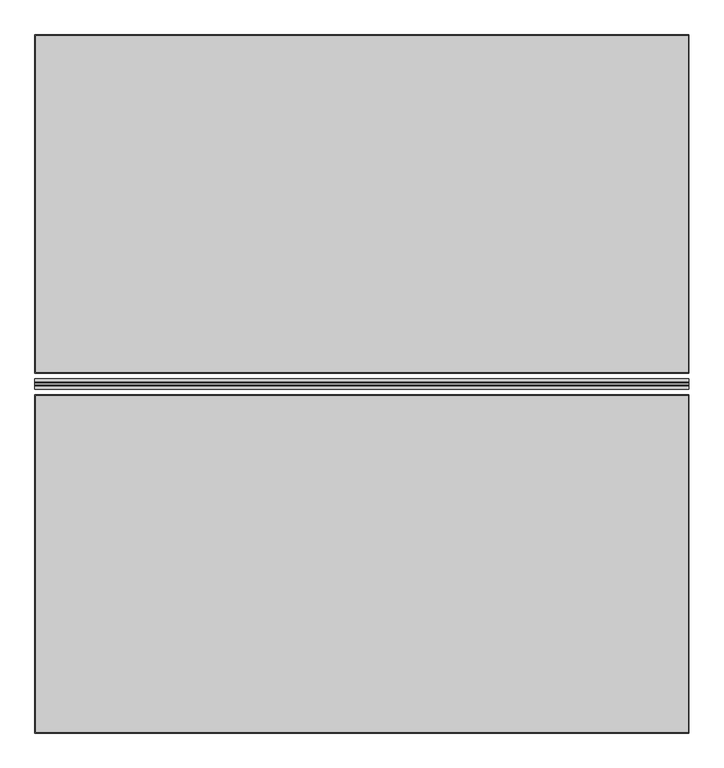
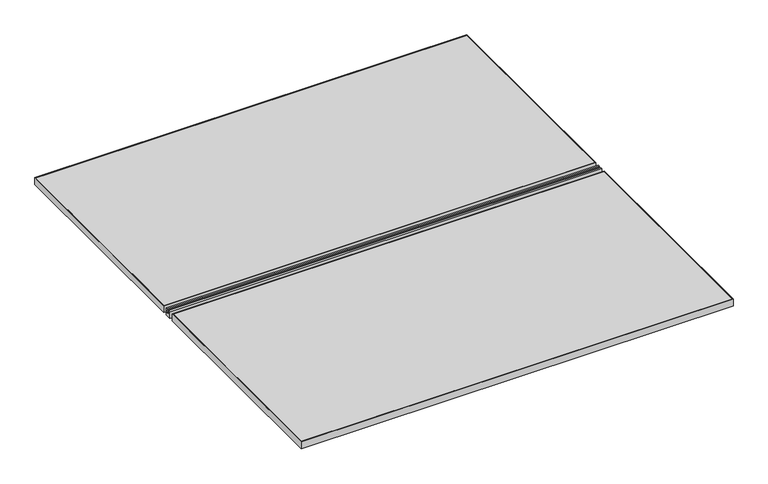
"""IFC4 building model written with IfcOpenShell, lengths in millimetres: furniture geometry."""

from ifc_helpers import new_model, si_unit, frame, origin, place, context, project, spatial, polyline, outline, extrude, source, transform, mapped, element, save


def furniture_cecfb42d(model_context):
    return source(origin(), model_context, "Body", "SweptSolid", [
        extrude(outline(polyline([(4.8990233, 720.0), (11.4990233, 720.0), (11.4990233, 695.0), (-11.4990233, 695.0), (-11.4990233, 720.0), (-4.8990233, 720.0), (-4.8990233, 716.1900055), (-8.6010744, 716.1900055), (-8.6010744, 712.379991), (-3.3007813, 709.8292746), (-3.3007813, 707.2000019), (3.3007813, 707.2000019), (3.3007813, 709.8292746), (8.6010744, 712.379991), (8.6010744, 716.1900055), (4.8990233, 716.1900055), (4.8990233, 720.0)])), frame((0.0, 0.0, 0.0), z_axis=(1.0, 0.0, 0.0), x_axis=(0.0, 1.0, 0.0)), (0.0, 0.0, 1.0), 1500.0),
        extrude(outline(polyline([(1500.0, 800.0), (1500.0, 25.0), (0.0, 25.0), (0.0, 800.0), (1500.0, 800.0)]), holes=[polyline([(1498.0, 798.0), (2.0, 798.0), (2.0, 27.0), (1498.0, 27.0), (1498.0, 798.0)])]), frame((0.0, 0.0, 695.0), z_axis=(0.0, 0.0, 1.0), x_axis=(1.0, 0.0, 0.0)), (0.0, 0.0, 1.0), 25.0),
        extrude(outline(polyline([(1498.0, 798.0), (1498.0, 27.0), (2.0, 27.0), (2.0, 798.0), (1498.0, 798.0)])), frame((0.0, 0.0, 695.0), z_axis=(0.0, 0.0, 1.0), x_axis=(1.0, 0.0, 0.0)), (0.0, 0.0, 1.0), 25.0),
        extrude(outline(polyline([(1500.0, -25.0), (1500.0, -800.0), (0.0, -800.0), (0.0, -25.0), (1500.0, -25.0)]), holes=[polyline([(1498.0, -27.0), (2.0, -27.0), (2.0, -798.0), (1498.0, -798.0), (1498.0, -27.0)])]), frame((0.0, 0.0, 695.0), z_axis=(0.0, 0.0, 1.0), x_axis=(1.0, 0.0, 0.0)), (0.0, 0.0, 1.0), 25.0),
        extrude(outline(polyline([(1498.0, -27.0), (1498.0, -798.0), (2.0, -798.0), (2.0, -27.0), (1498.0, -27.0)])), frame((0.0, 0.0, 695.0), z_axis=(0.0, 0.0, 1.0), x_axis=(1.0, 0.0, 0.0)), (0.0, 0.0, 1.0), 25.0),
    ])


if __name__ == "__main__":
    model = new_model("IFC4")
    model_context = context("Model", 3, world=origin())
    ifc_project = project(units=[si_unit("LENGTHUNIT", "METRE", prefix="MILLI")], contexts=[model_context])
    site = spatial("IfcSite", under=ifc_project)
    building = spatial("IfcBuilding", under=site)
    placement = place(None, origin())
    furniture_shape = furniture_cecfb42d(model_context)
    element("IfcFurniture", 1, at=placement, inside=building, context=model_context, shape_type="MappedRepresentation", body=[
        mapped(furniture_shape, transform((0.0, 0.0, 0.0), x_axis=(1.0, 0.0, 0.0), y_axis=(0.0, 1.0, 0.0), z_axis=(0.0, 0.0, 1.0))),
    ])
    save(model, "model.ifc")
